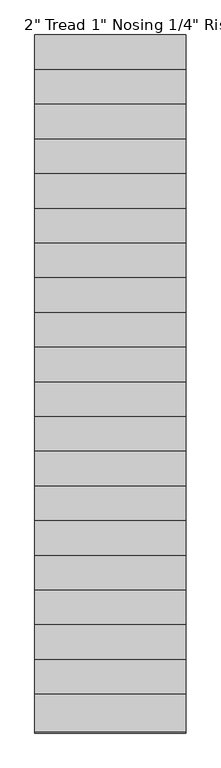
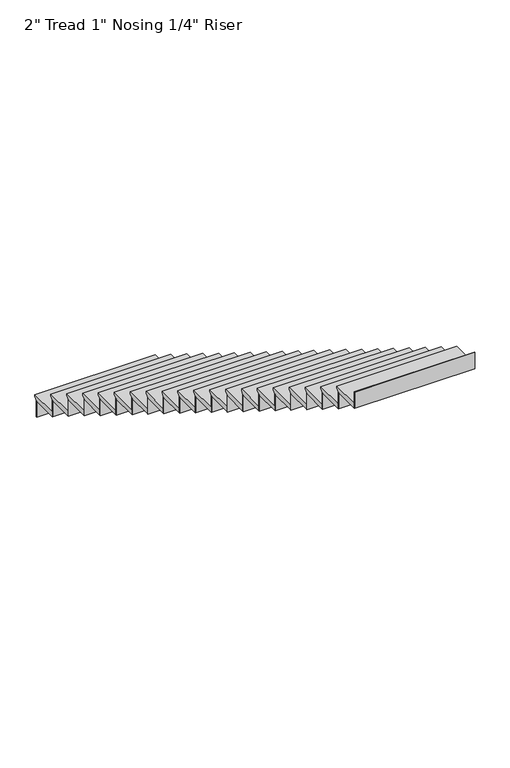
"""IFC4 building model written with IfcOpenShell, lengths in millimetres: stair flight geometry."""

from ifc_helpers import new_model, si_unit, frame, origin, place, context, project, spatial, polyline, outline, extrude, source, transform, mapped, element, save


def stair_flight_5309da95(model_context):
    return source(origin(), model_context, "Body", "SweptSolid", [
        extrude(outline(polyline([(-5103.3507921, 1393.3714286), (-4798.5507921, 1393.3714286), (-4798.5507921, 1374.3214286), (-4823.9507921, 1348.9214286), (-4823.9507921, 1342.5714286), (-5103.3507921, 1342.5714286), (-5103.3507921, 1393.3714286)])), frame((2890.4601743, 0.0, 0.0), z_axis=(1.0, 0.0, 0.0), x_axis=(0.0, 1.0, 0.0)), (0.0, 0.0, 1.0), 1219.2),
        extrude(outline(polyline([(2890.4601743, -4830.3007921), (2890.4601743, -4823.9507921), (4109.6601743, -4823.9507921), (4109.6601743, -4830.3007921), (2890.4601743, -4830.3007921)])), frame((0.0, 0.0, 1168.4), z_axis=(0.0, 0.0, 1.0), x_axis=(1.0, 0.0, 0.0)), (0.0, 0.0, 1.0), 174.1714286),
        extrude(outline(polyline([(2890.4601743, -5109.7007921), (2890.4601743, -5103.3507921), (4109.6601743, -5103.3507921), (4109.6601743, -5109.7007921), (2890.4601743, -5109.7007921)])), frame((0.0, 0.0, 1342.5714286), z_axis=(0.0, 0.0, 1.0), x_axis=(1.0, 0.0, 0.0)), (0.0, 0.0, 1.0), 174.1714286),
        extrude(outline(polyline([(-5382.7507921, 1567.5428571), (-5077.9507921, 1567.5428571), (-5077.9507921, 1548.4928571), (-5103.3507921, 1523.0928571), (-5103.3507921, 1516.7428571), (-5382.7507921, 1516.7428571), (-5382.7507921, 1567.5428571)])), frame((2890.4601743, 0.0, 0.0), z_axis=(1.0, 0.0, 0.0), x_axis=(0.0, 1.0, 0.0)), (0.0, 0.0, 1.0), 1219.2),
        extrude(outline(polyline([(2890.4601743, -5389.1007921), (2890.4601743, -5382.7507921), (4109.6601743, -5382.7507921), (4109.6601743, -5389.1007921), (2890.4601743, -5389.1007921)])), frame((0.0, 0.0, 1516.7428571), z_axis=(0.0, 0.0, 1.0), x_axis=(1.0, 0.0, 0.0)), (0.0, 0.0, 1.0), 174.1714286),
        extrude(outline(polyline([(-5662.1507921, 1741.7142857), (-5357.3507921, 1741.7142857), (-5357.3507921, 1722.6642857), (-5382.7507921, 1697.2642857), (-5382.7507921, 1690.9142857), (-5662.1507921, 1690.9142857), (-5662.1507921, 1741.7142857)])), frame((2890.4601743, 0.0, 0.0), z_axis=(1.0, 0.0, 0.0), x_axis=(0.0, 1.0, 0.0)), (0.0, 0.0, 1.0), 1219.2),
        extrude(outline(polyline([(2890.4601743, -5668.5007921), (2890.4601743, -5662.1507921), (4109.6601743, -5662.1507921), (4109.6601743, -5668.5007921), (2890.4601743, -5668.5007921)])), frame((0.0, 0.0, 1690.9142857), z_axis=(0.0, 0.0, 1.0), x_axis=(1.0, 0.0, 0.0)), (0.0, 0.0, 1.0), 174.1714286),
        extrude(outline(polyline([(-5941.5507921, 1915.8857143), (-5636.7507921, 1915.8857143), (-5636.7507921, 1896.8357143), (-5662.1507921, 1871.4357143), (-5662.1507921, 1865.0857143), (-5941.5507921, 1865.0857143), (-5941.5507921, 1915.8857143)])), frame((2890.4601743, 0.0, 0.0), z_axis=(1.0, 0.0, 0.0), x_axis=(0.0, 1.0, 0.0)), (0.0, 0.0, 1.0), 1219.2),
        extrude(outline(polyline([(2890.4601743, -5947.9007921), (2890.4601743, -5941.5507921), (4109.6601743, -5941.5507921), (4109.6601743, -5947.9007921), (2890.4601743, -5947.9007921)])), frame((0.0, 0.0, 1865.0857143), z_axis=(0.0, 0.0, 1.0), x_axis=(1.0, 0.0, 0.0)), (0.0, 0.0, 1.0), 174.1714286),
        extrude(outline(polyline([(-6220.9507921, 2090.0571429), (-5916.1507921, 2090.0571429), (-5916.1507921, 2071.0071429), (-5941.5507921, 2045.6071429), (-5941.5507921, 2039.2571429), (-6220.9507921, 2039.2571429), (-6220.9507921, 2090.0571429)])), frame((2890.4601743, 0.0, 0.0), z_axis=(1.0, 0.0, 0.0), x_axis=(0.0, 1.0, 0.0)), (0.0, 0.0, 1.0), 1219.2),
        extrude(outline(polyline([(2890.4601743, -6227.3007921), (2890.4601743, -6220.9507921), (4109.6601743, -6220.9507921), (4109.6601743, -6227.3007921), (2890.4601743, -6227.3007921)])), frame((0.0, 0.0, 2039.2571429), z_axis=(0.0, 0.0, 1.0), x_axis=(1.0, 0.0, 0.0)), (0.0, 0.0, 1.0), 174.1714286),
        extrude(outline(polyline([(-6500.3507921, 2264.2285714), (-6195.5507921, 2264.2285714), (-6195.5507921, 2245.1785714), (-6220.9507921, 2219.7785714), (-6220.9507921, 2213.4285714), (-6500.3507921, 2213.4285714), (-6500.3507921, 2264.2285714)])), frame((2890.4601743, 0.0, 0.0), z_axis=(1.0, 0.0, 0.0), x_axis=(0.0, 1.0, 0.0)), (0.0, 0.0, 1.0), 1219.2),
        extrude(outline(polyline([(2890.4601743, -6506.7007921), (2890.4601743, -6500.3507921), (4109.6601743, -6500.3507921), (4109.6601743, -6506.7007921), (2890.4601743, -6506.7007921)])), frame((0.0, 0.0, 2213.4285714), z_axis=(0.0, 0.0, 1.0), x_axis=(1.0, 0.0, 0.0)), (0.0, 0.0, 1.0), 174.1714286),
        extrude(outline(polyline([(-6779.7507921, 2438.4), (-6474.9507921, 2438.4), (-6474.9507921, 2419.35), (-6500.3507921, 2393.95), (-6500.3507921, 2387.6), (-6779.7507921, 2387.6), (-6779.7507921, 2438.4)])), frame((2890.4601743, 0.0, 0.0), z_axis=(1.0, 0.0, 0.0), x_axis=(0.0, 1.0, 0.0)), (0.0, 0.0, 1.0), 1219.2),
        extrude(outline(polyline([(2890.4601743, -6786.1007921), (2890.4601743, -6779.7507921), (4109.6601743, -6779.7507921), (4109.6601743, -6786.1007921), (2890.4601743, -6786.1007921)])), frame((0.0, 0.0, 2387.6), z_axis=(0.0, 0.0, 1.0), x_axis=(1.0, 0.0, 0.0)), (0.0, 0.0, 1.0), 174.1714286),
        extrude(outline(polyline([(-7059.1507921, 2612.5714286), (-6754.3507921, 2612.5714286), (-6754.3507921, 2593.5214286), (-6779.7507921, 2568.1214286), (-6779.7507921, 2561.7714286), (-7059.1507921, 2561.7714286), (-7059.1507921, 2612.5714286)])), frame((2890.4601743, 0.0, 0.0), z_axis=(1.0, 0.0, 0.0), x_axis=(0.0, 1.0, 0.0)), (0.0, 0.0, 1.0), 1219.2),
        extrude(outline(polyline([(2890.4601743, -7065.5007921), (2890.4601743, -7059.1507921), (4109.6601743, -7059.1507921), (4109.6601743, -7065.5007921), (2890.4601743, -7065.5007921)])), frame((0.0, 0.0, 2561.7714286), z_axis=(0.0, 0.0, 1.0), x_axis=(1.0, 0.0, 0.0)), (0.0, 0.0, 1.0), 174.1714286),
        extrude(outline(polyline([(-7338.5507921, 2786.7428571), (-7033.7507921, 2786.7428571), (-7033.7507921, 2767.6928571), (-7059.1507921, 2742.2928571), (-7059.1507921, 2735.9428571), (-7338.5507921, 2735.9428571), (-7338.5507921, 2786.7428571)])), frame((2890.4601743, 0.0, 0.0), z_axis=(1.0, 0.0, 0.0), x_axis=(0.0, 1.0, 0.0)), (0.0, 0.0, 1.0), 1219.2),
        extrude(outline(polyline([(2890.4601743, -7344.9007921), (2890.4601743, -7338.5507921), (4109.6601743, -7338.5507921), (4109.6601743, -7344.9007921), (2890.4601743, -7344.9007921)])), frame((0.0, 0.0, 2735.9428571), z_axis=(0.0, 0.0, 1.0), x_axis=(1.0, 0.0, 0.0)), (0.0, 0.0, 1.0), 174.1714286),
        extrude(outline(polyline([(-7617.9507921, 2960.9142857), (-7313.1507921, 2960.9142857), (-7313.1507921, 2941.8642857), (-7338.5507921, 2916.4642857), (-7338.5507921, 2910.1142857), (-7617.9507921, 2910.1142857), (-7617.9507921, 2960.9142857)])), frame((2890.4601743, 0.0, 0.0), z_axis=(1.0, 0.0, 0.0), x_axis=(0.0, 1.0, 0.0)), (0.0, 0.0, 1.0), 1219.2),
        extrude(outline(polyline([(2890.4601743, -7624.3007921), (2890.4601743, -7617.9507921), (4109.6601743, -7617.9507921), (4109.6601743, -7624.3007921), (2890.4601743, -7624.3007921)])), frame((0.0, 0.0, 2910.1142857), z_axis=(0.0, 0.0, 1.0), x_axis=(1.0, 0.0, 0.0)), (0.0, 0.0, 1.0), 174.1714286),
        extrude(outline(polyline([(-7897.3507921, 3135.0857143), (-7592.5507921, 3135.0857143), (-7592.5507921, 3116.0357143), (-7617.9507921, 3090.6357143), (-7617.9507921, 3084.2857143), (-7897.3507921, 3084.2857143), (-7897.3507921, 3135.0857143)])), frame((2890.4601743, 0.0, 0.0), z_axis=(1.0, 0.0, 0.0), x_axis=(0.0, 1.0, 0.0)), (0.0, 0.0, 1.0), 1219.2),
        extrude(outline(polyline([(2890.4601743, -7903.7007921), (2890.4601743, -7897.3507921), (4109.6601743, -7897.3507921), (4109.6601743, -7903.7007921), (2890.4601743, -7903.7007921)])), frame((0.0, 0.0, 3084.2857143), z_axis=(0.0, 0.0, 1.0), x_axis=(1.0, 0.0, 0.0)), (0.0, 0.0, 1.0), 174.1714286),
        extrude(outline(polyline([(-8176.7507921, 3309.2571429), (-7871.9507921, 3309.2571429), (-7871.9507921, 3290.2071429), (-7897.3507921, 3264.8071429), (-7897.3507921, 3258.4571429), (-8176.7507921, 3258.4571429), (-8176.7507921, 3309.2571429)])), frame((2890.4601743, 0.0, 0.0), z_axis=(1.0, 0.0, 0.0), x_axis=(0.0, 1.0, 0.0)), (0.0, 0.0, 1.0), 1219.2),
        extrude(outline(polyline([(2890.4601743, -8183.1007921), (2890.4601743, -8176.7507921), (4109.6601743, -8176.7507921), (4109.6601743, -8183.1007921), (2890.4601743, -8183.1007921)])), frame((0.0, 0.0, 3258.4571429), z_axis=(0.0, 0.0, 1.0), x_axis=(1.0, 0.0, 0.0)), (0.0, 0.0, 1.0), 174.1714286),
        extrude(outline(polyline([(-8456.1507921, 3483.4285714), (-8151.3507921, 3483.4285714), (-8151.3507921, 3464.3785714), (-8176.7507921, 3438.9785714), (-8176.7507921, 3432.6285714), (-8456.1507921, 3432.6285714), (-8456.1507921, 3483.4285714)])), frame((2890.4601743, 0.0, 0.0), z_axis=(1.0, 0.0, 0.0), x_axis=(0.0, 1.0, 0.0)), (0.0, 0.0, 1.0), 1219.2),
        extrude(outline(polyline([(2890.4601743, -8462.5007921), (2890.4601743, -8456.1507921), (4109.6601743, -8456.1507921), (4109.6601743, -8462.5007921), (2890.4601743, -8462.5007921)])), frame((0.0, 0.0, 3432.6285714), z_axis=(0.0, 0.0, 1.0), x_axis=(1.0, 0.0, 0.0)), (0.0, 0.0, 1.0), 174.1714286),
        extrude(outline(polyline([(-8735.5507921, 3657.6), (-8430.7507921, 3657.6), (-8430.7507921, 3638.55), (-8456.1507921, 3613.15), (-8456.1507921, 3606.8), (-8735.5507921, 3606.8), (-8735.5507921, 3657.6)])), frame((2890.4601743, 0.0, 0.0), z_axis=(1.0, 0.0, 0.0), x_axis=(0.0, 1.0, 0.0)), (0.0, 0.0, 1.0), 1219.2),
        extrude(outline(polyline([(2890.4601743, -8741.9007921), (2890.4601743, -8735.5507921), (4109.6601743, -8735.5507921), (4109.6601743, -8741.9007921), (2890.4601743, -8741.9007921)])), frame((0.0, 0.0, 3606.8), z_axis=(0.0, 0.0, 1.0), x_axis=(1.0, 0.0, 0.0)), (0.0, 0.0, 1.0), 174.1714286),
        extrude(outline(polyline([(-9014.9507921, 3831.7714286), (-8710.1507921, 3831.7714286), (-8710.1507921, 3812.7214286), (-8735.5507921, 3787.3214286), (-8735.5507921, 3780.9714286), (-9014.9507921, 3780.9714286), (-9014.9507921, 3831.7714286)])), frame((2890.4601743, 0.0, 0.0), z_axis=(1.0, 0.0, 0.0), x_axis=(0.0, 1.0, 0.0)), (0.0, 0.0, 1.0), 1219.2),
        extrude(outline(polyline([(2890.4601743, -9021.3007921), (2890.4601743, -9014.9507921), (4109.6601743, -9014.9507921), (4109.6601743, -9021.3007921), (2890.4601743, -9021.3007921)])), frame((0.0, 0.0, 3780.9714286), z_axis=(0.0, 0.0, 1.0), x_axis=(1.0, 0.0, 0.0)), (0.0, 0.0, 1.0), 174.1714286),
        extrude(outline(polyline([(-9294.3507921, 4005.9428571), (-8989.5507921, 4005.9428571), (-8989.5507921, 3986.8928571), (-9014.9507921, 3961.4928571), (-9014.9507921, 3955.1428571), (-9294.3507921, 3955.1428571), (-9294.3507921, 4005.9428571)])), frame((2890.4601743, 0.0, 0.0), z_axis=(1.0, 0.0, 0.0), x_axis=(0.0, 1.0, 0.0)), (0.0, 0.0, 1.0), 1219.2),
        extrude(outline(polyline([(2890.4601743, -9300.7007921), (2890.4601743, -9294.3507921), (4109.6601743, -9294.3507921), (4109.6601743, -9300.7007921), (2890.4601743, -9300.7007921)])), frame((0.0, 0.0, 3955.1428571), z_axis=(0.0, 0.0, 1.0), x_axis=(1.0, 0.0, 0.0)), (0.0, 0.0, 1.0), 174.1714286),
        extrude(outline(polyline([(-9573.7507921, 4180.1142857), (-9268.9507921, 4180.1142857), (-9268.9507921, 4161.0642857), (-9294.3507921, 4135.6642857), (-9294.3507921, 4129.3142857), (-9573.7507921, 4129.3142857), (-9573.7507921, 4180.1142857)])), frame((2890.4601743, 0.0, 0.0), z_axis=(1.0, 0.0, 0.0), x_axis=(0.0, 1.0, 0.0)), (0.0, 0.0, 1.0), 1219.2),
        extrude(outline(polyline([(2890.4601743, -9580.1007921), (2890.4601743, -9573.7507921), (4109.6601743, -9573.7507921), (4109.6601743, -9580.1007921), (2890.4601743, -9580.1007921)])), frame((0.0, 0.0, 4129.3142857), z_axis=(0.0, 0.0, 1.0), x_axis=(1.0, 0.0, 0.0)), (0.0, 0.0, 1.0), 174.1714286),
        extrude(outline(polyline([(-9853.1507921, 4354.2857143), (-9548.3507921, 4354.2857143), (-9548.3507921, 4335.2357143), (-9573.7507921, 4309.8357143), (-9573.7507921, 4303.4857143), (-9853.1507921, 4303.4857143), (-9853.1507921, 4354.2857143)])), frame((2890.4601743, 0.0, 0.0), z_axis=(1.0, 0.0, 0.0), x_axis=(0.0, 1.0, 0.0)), (0.0, 0.0, 1.0), 1219.2),
        extrude(outline(polyline([(2890.4601743, -9859.5007921), (2890.4601743, -9853.1507921), (4109.6601743, -9853.1507921), (4109.6601743, -9859.5007921), (2890.4601743, -9859.5007921)])), frame((0.0, 0.0, 4303.4857143), z_axis=(0.0, 0.0, 1.0), x_axis=(1.0, 0.0, 0.0)), (0.0, 0.0, 1.0), 174.1714286),
        extrude(outline(polyline([(-10132.5507921, 4528.4571429), (-9827.7507921, 4528.4571429), (-9827.7507921, 4509.4071429), (-9853.1507921, 4484.0071429), (-9853.1507921, 4477.6571429), (-10132.5507921, 4477.6571429), (-10132.5507921, 4528.4571429)])), frame((2890.4601743, 0.0, 0.0), z_axis=(1.0, 0.0, 0.0), x_axis=(0.0, 1.0, 0.0)), (0.0, 0.0, 1.0), 1219.2),
        extrude(outline(polyline([(2890.4601743, -10138.9007921), (2890.4601743, -10132.5507921), (4109.6601743, -10132.5507921), (4109.6601743, -10138.9007921), (2890.4601743, -10138.9007921)])), frame((0.0, 0.0, 4477.6571429), z_axis=(0.0, 0.0, 1.0), x_axis=(1.0, 0.0, 0.0)), (0.0, 0.0, 1.0), 174.1714286),
        extrude(outline(polyline([(2890.4601743, -10418.3007921), (2890.4601743, -10411.9507921), (4109.6601743, -10411.9507921), (4109.6601743, -10418.3007921), (2890.4601743, -10418.3007921)])), frame((0.0, 0.0, 4651.8285714), z_axis=(0.0, 0.0, 1.0), x_axis=(1.0, 0.0, 0.0)), (0.0, 0.0, 1.0), 174.1714286),
        extrude(outline(polyline([(-10411.9507921, 4702.6285714), (-10107.1507921, 4702.6285714), (-10107.1507921, 4683.5785714), (-10132.5507921, 4658.1785714), (-10132.5507921, 4651.8285714), (-10411.9507921, 4651.8285714), (-10411.9507921, 4702.6285714)])), frame((2890.4601743, 0.0, 0.0), z_axis=(1.0, 0.0, 0.0), x_axis=(0.0, 1.0, 0.0)), (0.0, 0.0, 1.0), 1219.2),
    ])


if __name__ == "__main__":
    model = new_model("IFC4")
    model_context = context("Model", 3, world=origin())
    ifc_project = project(units=[si_unit("LENGTHUNIT", "METRE", prefix="MILLI")], contexts=[model_context])
    site = spatial("IfcSite", under=ifc_project)
    building = spatial("IfcBuilding", under=site)
    placement = place(None, origin())
    stair_flight_shape = stair_flight_5309da95(model_context)
    element("IfcStairFlight", 1, ObjectType="2\" Tread 1\" Nosing 1/4\" Riser", at=placement, inside=building, context=model_context, shape_type="MappedRepresentation", body=[
        mapped(stair_flight_shape, transform((0.0, 0.0, 0.0), x_axis=(1.0, 0.0, 0.0), y_axis=(0.0, 1.0, 0.0), z_axis=(0.0, 0.0, 1.0))),
    ])
    save(model, "model.ifc")
